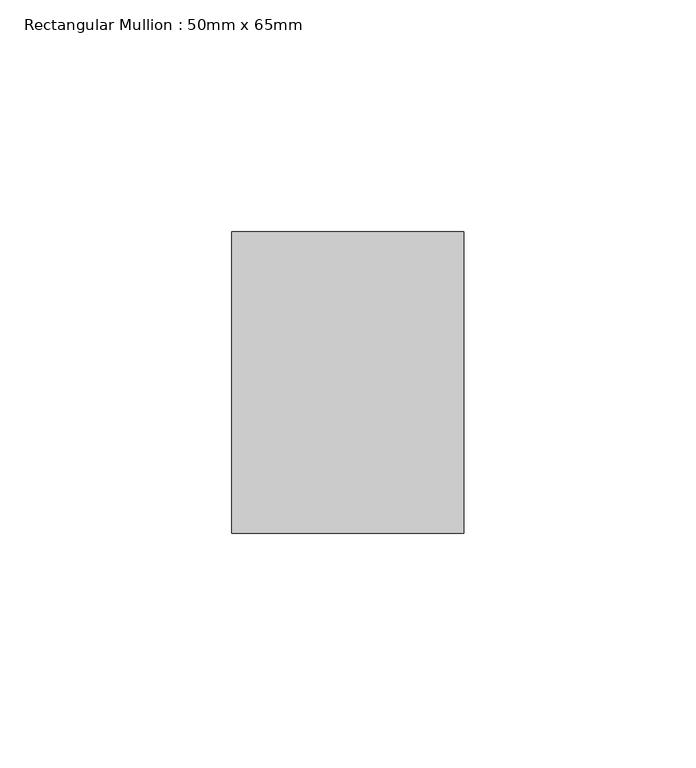
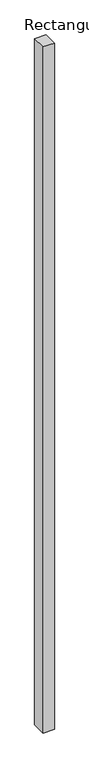
"""IFC4 building model written with IfcOpenShell, lengths in millimetres: member geometry, Rectangular Mullion : 50mm x 65mm."""

from ifc_helpers import new_model, si_unit, frame, origin, place, context, project, spatial, polyline, outline, extrude, source, transform, mapped, element, save


def rectangular_mullion_50mm_x_65mm_0ff43d83(model_context):
    return source(origin(), model_context, "Body", "SweptSolid", [
        extrude(outline(polyline([(25.0, 32.5), (25.0, -32.5), (-25.0, -32.5), (-25.0, 32.5), (25.0, 32.5)])), frame((0.0, 0.0, -3235.2666877), z_axis=(0.0, 0.0, 1.0), x_axis=(1.0, 0.0, 0.0)), (0.0, 0.0, 1.0), 3235.2666877),
    ])


if __name__ == "__main__":
    model = new_model("IFC4")
    model_context = context("Model", 3, world=origin())
    ifc_project = project(units=[si_unit("LENGTHUNIT", "METRE", prefix="MILLI")], contexts=[model_context])
    site = spatial("IfcSite", under=ifc_project)
    building = spatial("IfcBuilding", under=site)
    placement = place(None, origin())
    rectangular_mullion_50mm_x_65mm_shape = rectangular_mullion_50mm_x_65mm_0ff43d83(model_context)
    element("IfcMember", 1, ObjectType="Rectangular Mullion : 50mm x 65mm", at=placement, inside=building, context=model_context, shape_type="MappedRepresentation", body=[
        mapped(rectangular_mullion_50mm_x_65mm_shape, transform((0.0, 0.0, 0.0), x_axis=(1.0, 0.0, 0.0), y_axis=(0.0, 1.0, 0.0), z_axis=(0.0, 0.0, 1.0))),
    ])
    save(model, "model.ifc")
